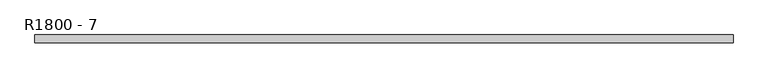
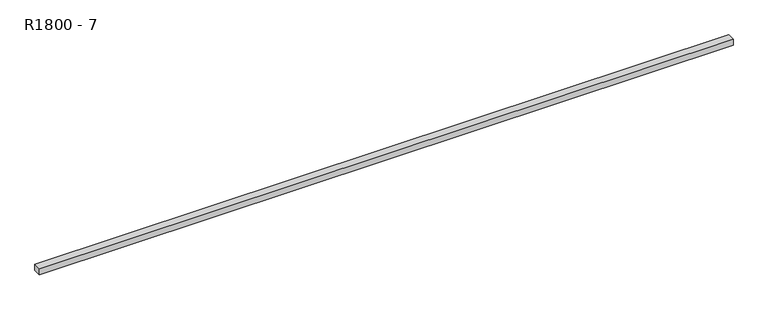
"""IFC4 building model written with IfcOpenShell, lengths in millimetres: proxy geometry, R1800 - 7."""

from ifc_helpers import new_model, si_unit, frame, origin, place, context, project, spatial, polyline, outline, extrude, source, transform, mapped, element, save


def r1800_7_45842a75(model_context):
    return source(origin(), model_context, "Body", "SweptSolid", [
        extrude(outline(polyline([(-877.4999975, 0.0), (-877.4999975, 20.0), (877.5000026, 20.0), (877.5000026, 0.0), (-877.4999975, 0.0)])), frame((0.0, 0.0, -8.0), z_axis=(0.0, 0.0, 1.0), x_axis=(1.0, 0.0, 0.0)), (0.0, 0.0, 1.0), 16.0),
    ])


if __name__ == "__main__":
    model = new_model("IFC4")
    model_context = context("Model", 3, world=origin())
    ifc_project = project(units=[si_unit("LENGTHUNIT", "METRE", prefix="MILLI")], contexts=[model_context])
    site = spatial("IfcSite", under=ifc_project)
    building = spatial("IfcBuilding", under=site)
    placement = place(None, origin())
    r1800_7_shape = r1800_7_45842a75(model_context)
    element("IfcBuildingElementProxy", 1, Name="R1800 - 7", ObjectType="R1800 - 7", at=placement, inside=building, context=model_context, shape_type="MappedRepresentation", body=[
        mapped(r1800_7_shape, transform((0.0, 0.0, 0.0), x_axis=(1.0, 0.0, 0.0), y_axis=(0.0, 1.0, 0.0), z_axis=(0.0, 0.0, 1.0))),
    ])
    save(model, "model.ifc")
